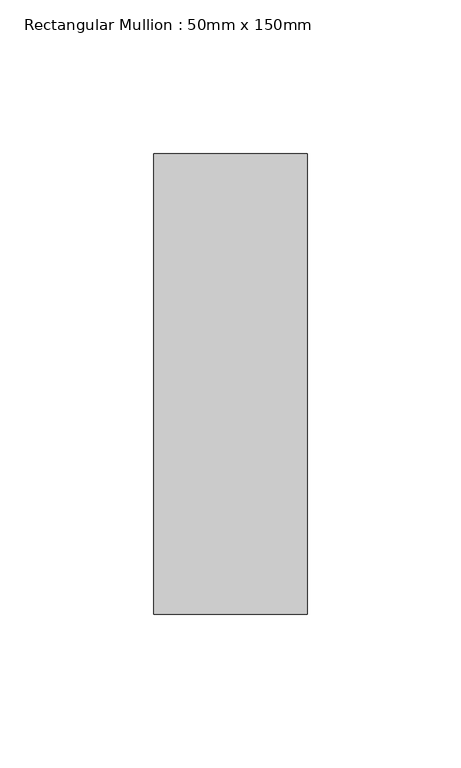
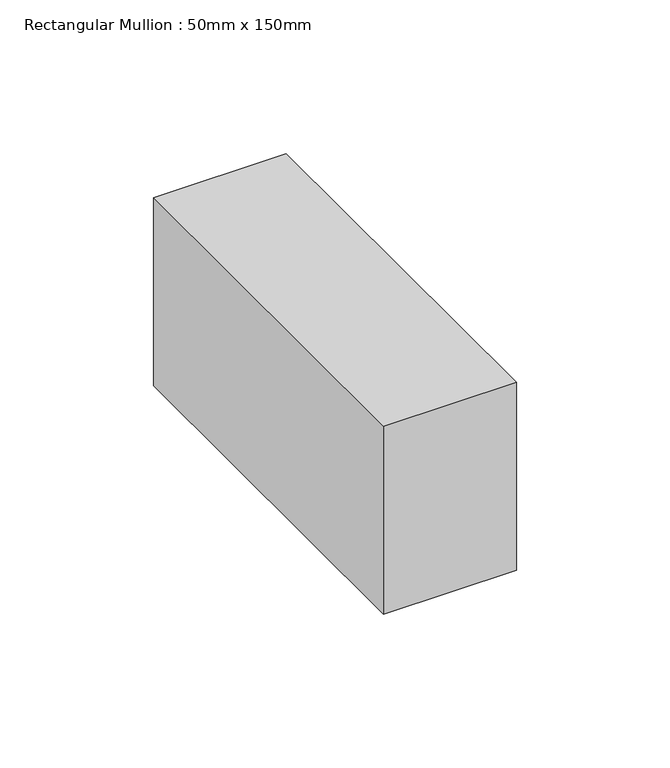
"""IFC4 building model written with IfcOpenShell, lengths in millimetres: member geometry, Rectangular Mullion : 50mm x 150mm."""

from ifc_helpers import new_model, si_unit, frame, origin, place, context, project, spatial, polyline, outline, extrude, source, transform, mapped, element, save


def rectangular_mullion_50mm_x_150mm_f3d63eee(model_context):
    return source(origin(), model_context, "Body", "SweptSolid", [
        extrude(outline(polyline([(25.0, 75.0), (25.0, -75.0), (-25.0, -75.0), (-25.0, 75.0), (25.0, 75.0)])), frame((0.0, 0.0, -74.8408788), z_axis=(0.0, 0.0, 1.0), x_axis=(1.0, 0.0, 0.0)), (0.0, 0.0, 1.0), 74.8408788),
    ])


if __name__ == "__main__":
    model = new_model("IFC4")
    model_context = context("Model", 3, world=origin())
    ifc_project = project(units=[si_unit("LENGTHUNIT", "METRE", prefix="MILLI")], contexts=[model_context])
    site = spatial("IfcSite", under=ifc_project)
    building = spatial("IfcBuilding", under=site)
    placement = place(None, origin())
    rectangular_mullion_50mm_x_150mm_shape = rectangular_mullion_50mm_x_150mm_f3d63eee(model_context)
    element("IfcMember", 1, ObjectType="Rectangular Mullion : 50mm x 150mm", at=placement, inside=building, context=model_context, shape_type="MappedRepresentation", body=[
        mapped(rectangular_mullion_50mm_x_150mm_shape, transform((0.0, 0.0, 0.0), x_axis=(1.0, 0.0, 0.0), y_axis=(0.0, 1.0, 0.0), z_axis=(0.0, 0.0, 1.0))),
    ])
    save(model, "model.ifc")
